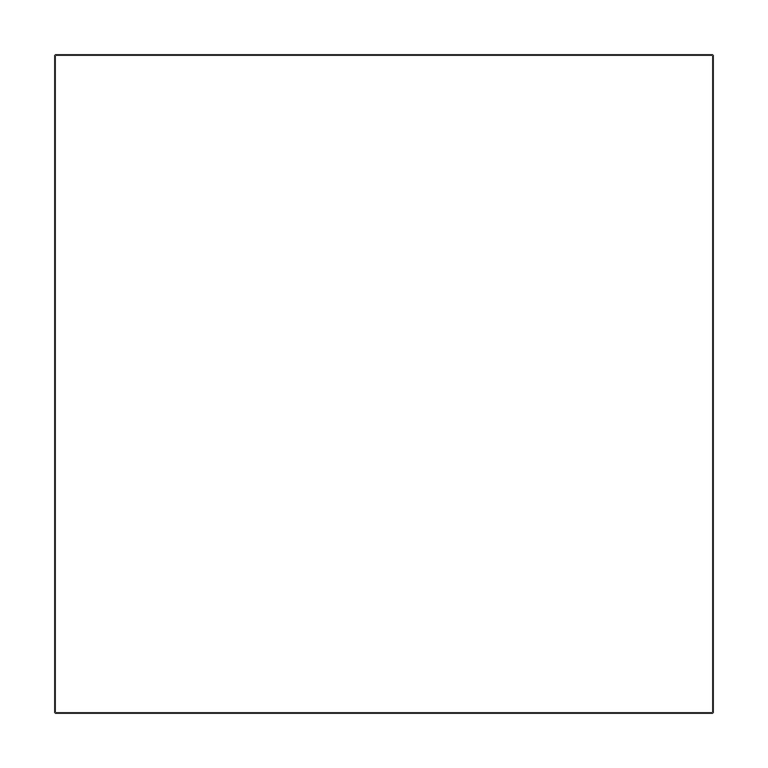
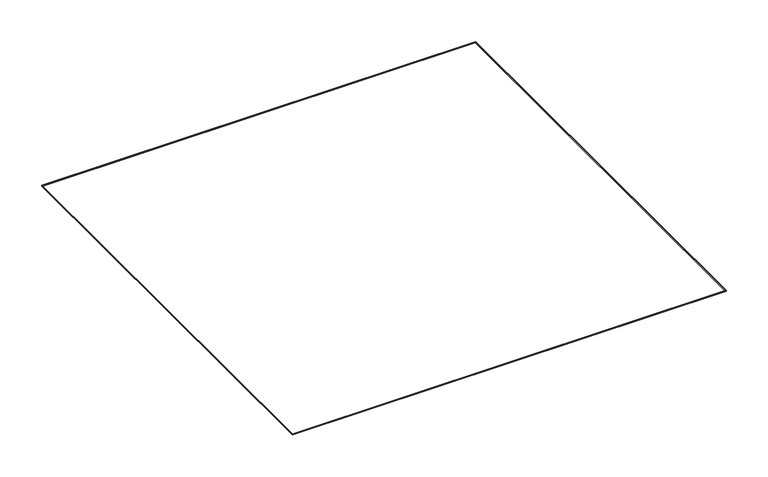
"""IFC4 building model written with IfcOpenShell, lengths in millimetres: proxy geometry."""

from ifc_helpers import new_model, si_unit, origin, origin_with_axes, place, context, project, spatial, polyline, outline, extrude, source, transform, mapped, element, save


def generic_models_704f6d92(model_context):
    return source(origin(), model_context, "Body", "SweptSolid", [
        extrude(outline(polyline([(300.9549776, 301.5), (301.5, 300.9549776), (301.5, -300.9549776), (300.9549776, -301.5), (-300.9549776, -301.5), (-301.5, -300.9549776), (-301.5, 300.9549776), (-300.9549776, 301.5), (300.9549776, 301.5)]), holes=[polyline([(300.5, 300.5), (-300.5, 300.5), (-300.5, -300.5), (300.5, -300.5), (300.5, 300.5)])]), origin_with_axes(), (0.0, 0.0, 1.0), 1.0),
    ])


if __name__ == "__main__":
    model = new_model("IFC4")
    model_context = context("Model", 3, world=origin())
    ifc_project = project(units=[si_unit("LENGTHUNIT", "METRE", prefix="MILLI")], contexts=[model_context])
    site = spatial("IfcSite", under=ifc_project)
    building = spatial("IfcBuilding", under=site)
    placement = place(None, origin())
    generic_models_shape = generic_models_704f6d92(model_context)
    element("IfcBuildingElementProxy", 1, Name="Generic Models", at=placement, inside=building, context=model_context, shape_type="MappedRepresentation", body=[
        mapped(generic_models_shape, transform((0.0, 0.0, 0.0), x_axis=(1.0, 0.0, 0.0), y_axis=(0.0, 1.0, 0.0), z_axis=(0.0, 0.0, 1.0))),
    ])
    save(model, "model.ifc")
